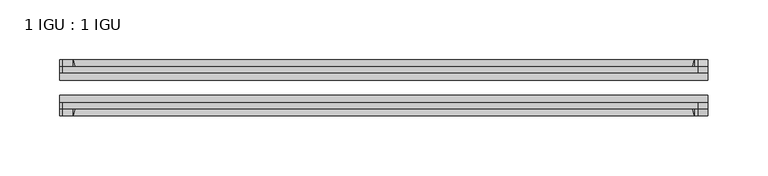
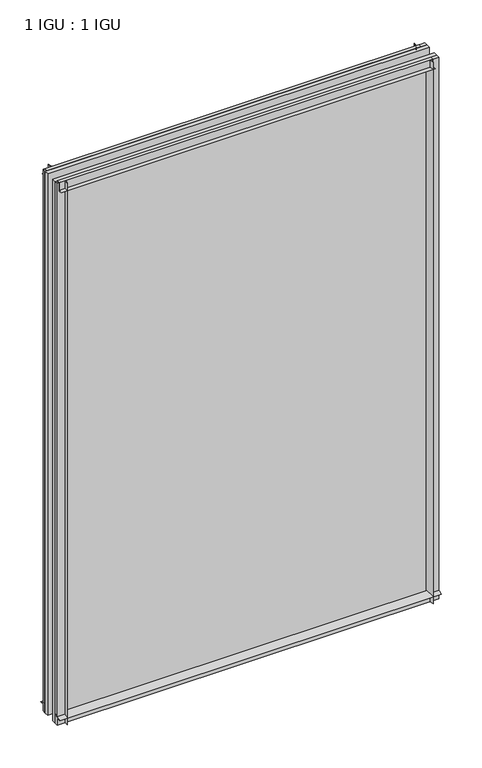
"""IFC4 building model written with IfcOpenShell, lengths in millimetres: plate geometry, 1 IGU : 1 IGU."""

from ifc_helpers import new_model, si_unit, point, frame, frame_2d, origin, place, context, project, spatial, polyline, circle_curve, trimmed, segment, composite_curve, outline, extrude, source, transform, mapped, element, save


def plate_1_igu_1_igu_b64f6c6b(model_context):
    return source(origin(), model_context, "Body", "SweptSolid", [
        extrude(outline(composite_curve([segment(trimmed(circle_curve(frame_2d((-28.0741797, 32.2797688)), 32.7673262), [point((-44.45, 3.8979053))], [point((-33.7058, 1.48e-05))], True, "CARTESIAN"), True, "CONTINUOUS"), segment(polyline([(-33.7058, 1.48e-05), (-39.6748, 1.48e-05), (-39.6748, -10.31875), (-44.45, -10.31875), (-44.45, 3.8979053)]), True, "CONTINUOUS")], self_intersect=False)), frame((-271.4625, 0.0, 0.0), z_axis=(1.0, 0.0, 0.0), x_axis=(0.0, 1.0, 0.0)), (0.0, 0.0, 1.0), 542.925),
        extrude(outline(composite_curve([segment(trimmed(circle_curve(frame_2d((-86.2258203, 32.2797602)), 32.7673262), [point((-80.5942354, 0.0))], [point((-69.85, 3.8978967))], True, "CARTESIAN"), True, "CONTINUOUS"), segment(polyline([(-69.85, 3.8978967), (-69.85, -10.31875), (-74.6252, -10.31875), (-74.6252, 0.0), (-80.5942354, 0.0)]), True, "CONTINUOUS")], self_intersect=False)), frame((-271.4625, 0.0, 0.0), z_axis=(1.0, 0.0, 0.0), x_axis=(0.0, 1.0, 0.0)), (0.0, 0.0, 1.0), 542.925),
        extrude(outline(composite_curve([segment(polyline([(-80.5942, 792.95625), (-74.6252, 792.95625), (-74.6252, 804.06875), (-69.85, 804.06875), (-69.85, 789.0583595)]), True, "CONTINUOUS"), segment(trimmed(circle_curve(frame_2d((-86.2258203, 760.676496)), 32.7673262), [point((-69.85, 789.0583595))], [point((-80.5942, 792.95625))], True, "CARTESIAN"), True, "CONTINUOUS")], self_intersect=False)), frame((-268.8627386, 0.0, 0.0), z_axis=(1.0, 0.0, 0.0), x_axis=(0.0, 1.0, 0.0)), (0.0, 0.0, 1.0), 531.7587001),
        extrude(outline(composite_curve([segment(polyline([(-39.6748, 804.06875), (-39.6748, 792.95625), (-33.7058, 792.95625)]), True, "CONTINUOUS"), segment(trimmed(circle_curve(frame_2d((-28.0741797, 760.676496)), 32.7673262), [point((-33.7058, 792.95625))], [point((-44.45, 789.0583595))], True, "CARTESIAN"), True, "CONTINUOUS"), segment(polyline([(-44.45, 789.0583595), (-44.45, 804.06875), (-39.6748, 804.06875)]), True, "CONTINUOUS")], self_intersect=False)), frame((-268.8627386, 0.0, 0.0), z_axis=(1.0, 0.0, 0.0), x_axis=(0.0, 1.0, 0.0)), (0.0, 0.0, 1.0), 531.7587001),
        extrude(outline(composite_curve([segment(polyline([(271.4625, -39.6748), (271.4625, -44.45), (256.4521095, -44.45)]), True, "CONTINUOUS"), segment(trimmed(circle_curve(frame_2d((228.070246, -28.0741797)), 32.7673262), [point((256.4521095, -44.45))], [point((260.35, -33.7058))], True, "CARTESIAN"), True, "CONTINUOUS"), segment(polyline([(260.35, -33.7058), (260.35, -39.6748), (271.4625, -39.6748)]), True, "CONTINUOUS")], self_intersect=False)), frame((0.0, 0.0, -10.31875), z_axis=(0.0, 0.0, 1.0), x_axis=(1.0, 0.0, 0.0)), (0.0, 0.0, 1.0), 814.3875),
        extrude(outline(composite_curve([segment(polyline([(271.4625, -69.85), (271.4625, -74.6252), (260.35, -74.6252), (260.35, -80.5942)]), True, "CONTINUOUS"), segment(trimmed(circle_curve(frame_2d((228.070246, -86.2258203)), 32.7673262), [point((260.35, -80.5942))], [point((256.4521095, -69.85))], True, "CARTESIAN"), True, "CONTINUOUS"), segment(polyline([(256.4521095, -69.85), (271.4625, -69.85)]), True, "CONTINUOUS")], self_intersect=False)), frame((0.0, 0.0, -10.31875), z_axis=(0.0, 0.0, 1.0), x_axis=(1.0, 0.0, 0.0)), (0.0, 0.0, 1.0), 814.3875),
        extrude(outline(composite_curve([segment(polyline([(-271.4625, -39.6748), (-260.35, -39.6748), (-260.35, -33.7058)]), True, "CONTINUOUS"), segment(trimmed(circle_curve(frame_2d((-228.070246, -28.0741797)), 32.7673262), [point((-260.35, -33.7058))], [point((-256.4521095, -44.45))], True, "CARTESIAN"), True, "CONTINUOUS"), segment(polyline([(-256.4521095, -44.45), (-271.4625, -44.45), (-271.4625, -39.6748)]), True, "CONTINUOUS")], self_intersect=False)), frame((0.0, 0.0, -10.31875), z_axis=(0.0, 0.0, 1.0), x_axis=(1.0, 0.0, 0.0)), (0.0, 0.0, 1.0), 814.3875),
        extrude(outline(composite_curve([segment(polyline([(-271.4625, -74.6252), (-271.4625, -69.85), (-256.4521095, -69.85)]), True, "CONTINUOUS"), segment(trimmed(circle_curve(frame_2d((-228.070246, -86.2258203)), 32.7673262), [point((-256.4521095, -69.85))], [point((-260.35, -80.5942))], True, "CARTESIAN"), True, "CONTINUOUS"), segment(polyline([(-260.35, -80.5942), (-260.35, -74.6252), (-271.4625, -74.6252)]), True, "CONTINUOUS")], self_intersect=False)), frame((0.0, 0.0, -10.31875), z_axis=(0.0, 0.0, 1.0), x_axis=(1.0, 0.0, 0.0)), (0.0, 0.0, 1.0), 814.3875),
        extrude(outline(polyline([(-271.4625, -69.85), (-271.4625, -63.5508), (271.4625, -63.5508), (271.4625, -69.85), (-271.4625, -69.85)])), frame((0.0, 0.0, -10.31875), z_axis=(0.0, 0.0, 1.0), x_axis=(1.0, 0.0, 0.0)), (0.0, 0.0, 1.0), 814.3875),
        extrude(outline(polyline([(271.4625, -50.7492), (-271.4625, -50.7492), (-271.4625, -44.45), (271.4625, -44.45), (271.4625, -50.7492)])), frame((0.0, 0.0, -10.31875), z_axis=(0.0, 0.0, 1.0), x_axis=(1.0, 0.0, 0.0)), (0.0, 0.0, 1.0), 814.3875),
    ])


if __name__ == "__main__":
    model = new_model("IFC4")
    model_context = context("Model", 3, world=origin())
    ifc_project = project(units=[si_unit("LENGTHUNIT", "METRE", prefix="MILLI")], contexts=[model_context])
    site = spatial("IfcSite", under=ifc_project)
    building = spatial("IfcBuilding", under=site)
    placement = place(None, origin())
    plate_1_igu_1_igu_shape = plate_1_igu_1_igu_b64f6c6b(model_context)
    element("IfcPlate", 1, ObjectType="1 IGU : 1 IGU", at=placement, inside=building, context=model_context, shape_type="MappedRepresentation", body=[
        mapped(plate_1_igu_1_igu_shape, transform((0.0, 0.0, 0.0), x_axis=(1.0, 0.0, 0.0), y_axis=(0.0, 1.0, 0.0), z_axis=(0.0, 0.0, 1.0))),
    ])
    save(model, "model.ifc")
